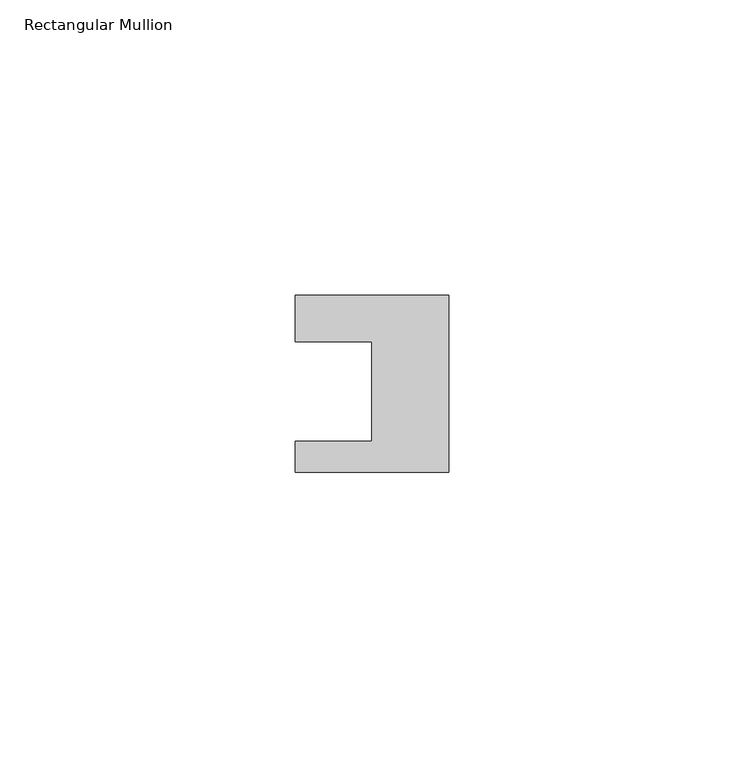
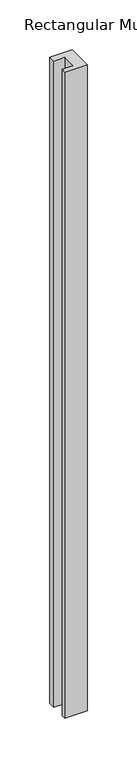
"""IFC4 building model written with IfcOpenShell, lengths in millimetres: member geometry, Rectangular Mullion."""

import ifcopenshell
import ifcopenshell.guid

model = None  # the IFC model being written
_history = None  # IfcOwnerHistory: only IFC2X3 demands one
_inside = {}  # id of a spatial element -> (the spatial element, [elements in it])
_under = {}  # id of a project, library or spatial element -> (it, [spatial elements below it])
_declared = {}  # id of a project -> (the project, [libraries it declares])
_typed = {}  # id of a type object -> (the type object, [elements of that type])
_made_of = {}  # id of a material, layer set ... -> (it, [elements and type objects made of it])


def new_model(schema):
    """Start an empty IFC model of exactly this schema.

    Asked for "IFC4X3", IfcOpenShell would pick the latest addendum, in which some entities
    have other attributes; the version numbers below select the first issue.
    IFC2X3 requires an IfcOwnerHistory on every rooted entity: one is made here for all.
    """
    global model, _history
    if schema == "IFC4X3":
        model = ifcopenshell.file(schema_version=(4, 3, 0, 0))
    else:
        model = ifcopenshell.file(schema=schema)
    _inside.clear()
    _under.clear()
    _declared.clear()
    _typed.clear()
    _made_of.clear()
    _history = None
    if model.schema == "IFC2X3":
        org = make("IfcOrganization", Name="unknown")
        user = make(
            "IfcPersonAndOrganization",
            ThePerson=make("IfcPerson", FamilyName="unknown"),
            TheOrganization=org,
        )
        app = make(
            "IfcApplication",
            ApplicationDeveloper=org,
            Version="unknown",
            ApplicationFullName="unknown",
            ApplicationIdentifier="unknown",
        )
        _history = make(
            "IfcOwnerHistory",
            OwningUser=user,
            OwningApplication=app,
            ChangeAction="ADDED",
            CreationDate=0,
        )
    return model


def make(cls, **values):
    """One entity of the class cls with the attributes given. An attribute that is None is left unset."""
    return model.create_entity(
        cls, **{name: value for name, value in values.items() if value is not None}
    )


def rooted(cls, **values):
    """An entity with a GlobalId (a new one), such as an element, a storey or a relation."""
    return make(cls, GlobalId=ifcopenshell.guid.new(), OwnerHistory=_history, **values)


def si_unit(unit_type, name, prefix=None):
    """IfcSIUnit, for example si_unit("LENGTHUNIT", "METRE", prefix="MILLI")."""
    return make("IfcSIUnit", UnitType=unit_type, Prefix=prefix, Name=name)


def assignment(units):
    """IfcUnitAssignment: the units of a project."""
    return None if units is None else make("IfcUnitAssignment", Units=units)


def point(xyz):
    """IfcCartesianPoint."""
    return None if xyz is None else make("IfcCartesianPoint", Coordinates=xyz)


def direction(xyz):
    """IfcDirection."""
    return None if xyz is None else make("IfcDirection", DirectionRatios=xyz)


def frame(location, z_axis=None, x_axis=None):
    """IfcAxis2Placement3D, a coordinate frame: its origin and axes. An axis left out is left unset."""
    return make(
        "IfcAxis2Placement3D",
        Location=point(location),
        Axis=direction(z_axis),
        RefDirection=direction(x_axis),
    )


def origin():
    """The frame at (0, 0, 0) with its axes left unset."""
    return frame((0.0, 0.0, 0.0))


def place(relative_to, where):
    """IfcLocalPlacement: puts the frame where relative to a parent placement (None: the world)."""
    return make(
        "IfcLocalPlacement", PlacementRelTo=relative_to, RelativePlacement=where
    )


def context(
    kind, dimensions, precision=None, world=None, true_north=None, identifier=None
):
    """IfcGeometricRepresentationContext, for example the 3D "Model" context."""
    return make(
        "IfcGeometricRepresentationContext",
        ContextIdentifier=identifier,
        ContextType=kind,
        CoordinateSpaceDimension=dimensions,
        Precision=precision,
        WorldCoordinateSystem=world,
        TrueNorth=true_north,
    )


def project(units=None, contexts=None):
    """IfcProject with its units and contexts."""
    return rooted(
        "IfcProject",
        Name="project",
        RepresentationContexts=contexts,
        UnitsInContext=assignment(units),
    )


def spatial(cls, under=None, at=None, **own):
    """A site, building, storey or space (cls), placed at a placement, below another one or the project."""
    s = rooted(cls, ObjectPlacement=at, **own)
    if under is not None:
        _under.setdefault(under.id(), (under, []))[1].append(s)
    return s


def polyline(points):
    """IfcPolyline through the points."""
    return make("IfcPolyline", Points=[point(p) for p in points])


def outline(outer, holes=None, kind="AREA"):
    """IfcArbitraryClosedProfileDef: a profile drawn as a closed curve; with holes, ...WithVoids."""
    if holes is None:
        return make("IfcArbitraryClosedProfileDef", ProfileType=kind, OuterCurve=outer)
    return make(
        "IfcArbitraryProfileDefWithVoids",
        ProfileType=kind,
        OuterCurve=outer,
        InnerCurves=holes,
    )


def extrude(swept, where, along, depth):
    """IfcExtrudedAreaSolid: the profile swept, set in the frame where, extruded along a direction by depth."""
    return make(
        "IfcExtrudedAreaSolid",
        SweptArea=swept,
        Position=where,
        ExtrudedDirection=direction(along),
        Depth=depth,
    )


def shape(context_of_items, identifier, shape_type, items):
    """IfcShapeRepresentation: the items that make up one representation, for example the "Body"."""
    return make(
        "IfcShapeRepresentation",
        ContextOfItems=context_of_items,
        RepresentationIdentifier=identifier,
        RepresentationType=shape_type,
        Items=items,
    )


def source(mapping_origin, context_of_items, identifier, shape_type, items):
    """IfcRepresentationMap: a shape defined once, which mapped items show again and again."""
    return make(
        "IfcRepresentationMap",
        MappingOrigin=mapping_origin,
        MappedRepresentation=shape(context_of_items, identifier, shape_type, items),
    )


def transform(
    local_origin,
    x_axis=None,
    y_axis=None,
    z_axis=None,
    scale=None,
    scale2=None,
    scale3=None,
    uniform=True,
):
    """IfcCartesianTransformationOperator3D, or its non-uniform kind. x_axis, y_axis, z_axis: its Axis1, 2, 3."""
    if uniform:
        return make(
            "IfcCartesianTransformationOperator3D",
            Axis1=direction(x_axis),
            Axis2=direction(y_axis),
            LocalOrigin=point(local_origin),
            Scale=scale,
            Axis3=direction(z_axis),
        )
    return make(
        "IfcCartesianTransformationOperator3DnonUniform",
        Axis1=direction(x_axis),
        Axis2=direction(y_axis),
        LocalOrigin=point(local_origin),
        Scale=scale,
        Axis3=direction(z_axis),
        Scale2=scale2,
        Scale3=scale3,
    )


def mapped(mapping_source, mapping_target):
    """IfcMappedItem: shows the shape of a source again, moved by a transform."""
    return make(
        "IfcMappedItem", MappingSource=mapping_source, MappingTarget=mapping_target
    )


def made_of(thing, what):
    """Note that an element or type object is made of a material, layer set ...; save() writes the relation."""
    if what is not None:
        _made_of.setdefault(what.id(), (what, []))[1].append(thing)
    return thing


def element(
    cls,
    number,
    at=None,
    inside=None,
    cuts=None,
    type_object=None,
    material=None,
    context=None,
    identifier="Body",
    shape_type=None,
    held_by="IfcProductDefinitionShape",
    body=None,
    shapes=None,
    **own,
):
    """One element of the class cls, such as IfcWall. Its Tag is "e" and its number.

    at: its placement. inside: the storey or other place that contains it. cuts: it is an
    opening in that element (IfcRelVoidsElement). A single representation is given by context,
    identifier, shape_type and body (its items); several are given by shapes. held_by: the class
    of the entity that holds the representations. save() writes the other relations.
    """
    e = rooted(cls, Tag="e%d" % number, ObjectPlacement=at, **own)
    if body is not None:
        shapes = [shape(context, identifier, shape_type, body)]
    if shapes is not None:
        e.Representation = make(held_by, Representations=shapes)
    if inside is not None:
        _inside.setdefault(inside.id(), (inside, []))[1].append(e)
    if cuts is not None:
        rooted(
            "IfcRelVoidsElement", RelatingBuildingElement=cuts, RelatedOpeningElement=e
        )
    if type_object is not None:
        _typed.setdefault(type_object.id(), (type_object, []))[1].append(e)
    return made_of(e, material)


def aggregate(whole, parts):
    """IfcRelAggregates: a whole, such as a stair, and the parts it consists of."""
    return rooted("IfcRelAggregates", RelatingObject=whole, RelatedObjects=parts)


def save(model, path):
    """Write the relations noted so far, then the file.

    IfcRelAggregates (storeys below a building ...), IfcRelContainedInSpatialStructure (elements
    in a storey), IfcRelDefinesByType, IfcRelAssociatesMaterial and IfcRelDeclares: one each for
    every whole, place, type object, material and project.
    """
    for whole, parts in _under.values():
        aggregate(whole, parts)
    for where, things in _inside.values():
        rooted(
            "IfcRelContainedInSpatialStructure",
            RelatedElements=things,
            RelatingStructure=where,
        )
    for kind, things in _typed.values():
        rooted("IfcRelDefinesByType", RelatedObjects=things, RelatingType=kind)
    for what, things in _made_of.values():
        rooted("IfcRelAssociatesMaterial", RelatedObjects=things, RelatingMaterial=what)
    for by, libraries in _declared.values():
        rooted("IfcRelDeclares", RelatingContext=by, RelatedDefinitions=libraries)
    model.write(path)


def rectangular_mullion_8d65bf68(model_context):
    return source(origin(), model_context, "Body", "SweptSolid", [
        extrude(outline(polyline([(-26.0, 0.001), (-26.0, 7.94), (0.0, 7.94), (0.0, -22.06), (-26.0, -22.06), (-26.0, -16.8), (-13.0, -16.8), (-13.0, 0.001), (-26.0, 0.001)])), frame((0.0, 0.0, -792.0), z_axis=(0.0, 0.0, 1.0), x_axis=(1.0, 0.0, 0.0)), (0.0, 0.0, 1.0), 792.0),
    ])


if __name__ == "__main__":
    model = new_model("IFC4")
    model_context = context("Model", 3, world=origin())
    ifc_project = project(units=[si_unit("LENGTHUNIT", "METRE", prefix="MILLI")], contexts=[model_context])
    site = spatial("IfcSite", under=ifc_project)
    building = spatial("IfcBuilding", under=site)
    placement = place(None, origin())
    rectangular_mullion_shape = rectangular_mullion_8d65bf68(model_context)
    element("IfcMember", 1, ObjectType="Rectangular Mullion", at=placement, inside=building, context=model_context, shape_type="MappedRepresentation", body=[
        mapped(rectangular_mullion_shape, transform((0.0, 0.0, 0.0), x_axis=(1.0, 0.0, 0.0), y_axis=(0.0, 1.0, 0.0), z_axis=(0.0, 0.0, 1.0))),
    ])
    save(model, "model.ifc")
